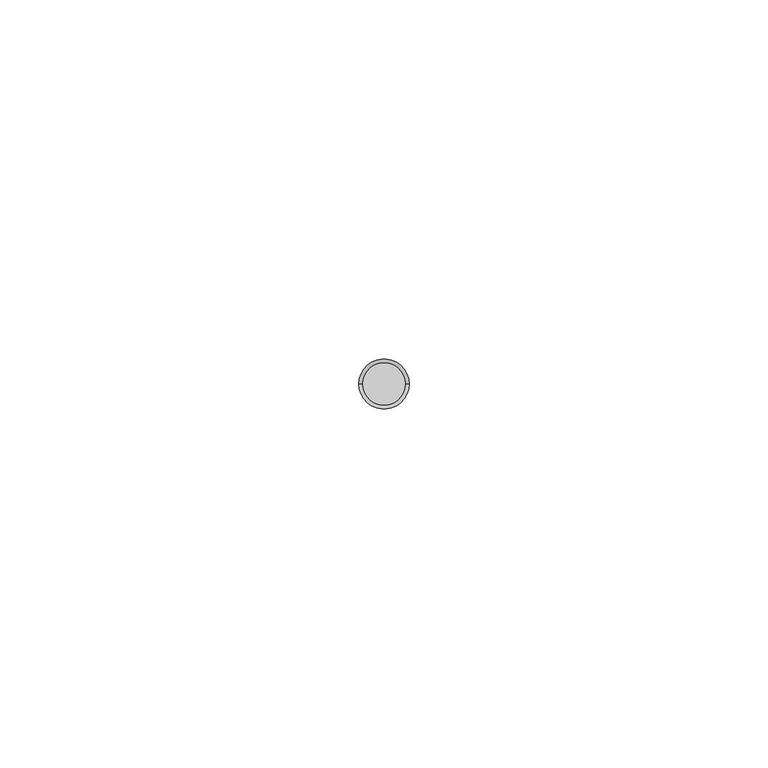
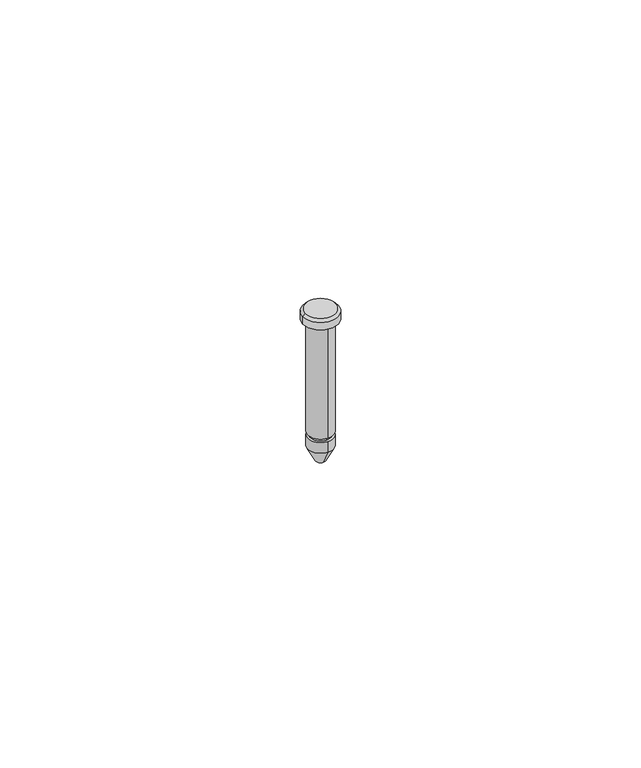
"""IFC4 building model written with IfcOpenShell, lengths in millimetres: proxy geometry."""

import ifcopenshell
import ifcopenshell.guid

model = None  # the IFC model being written
_history = None  # IfcOwnerHistory: only IFC2X3 demands one
_inside = {}  # id of a spatial element -> (the spatial element, [elements in it])
_under = {}  # id of a project, library or spatial element -> (it, [spatial elements below it])
_declared = {}  # id of a project -> (the project, [libraries it declares])
_typed = {}  # id of a type object -> (the type object, [elements of that type])
_made_of = {}  # id of a material, layer set ... -> (it, [elements and type objects made of it])


def new_model(schema):
    """Start an empty IFC model of exactly this schema.

    Asked for "IFC4X3", IfcOpenShell would pick the latest addendum, in which some entities
    have other attributes; the version numbers below select the first issue.
    IFC2X3 requires an IfcOwnerHistory on every rooted entity: one is made here for all.
    """
    global model, _history
    if schema == "IFC4X3":
        model = ifcopenshell.file(schema_version=(4, 3, 0, 0))
    else:
        model = ifcopenshell.file(schema=schema)
    _inside.clear()
    _under.clear()
    _declared.clear()
    _typed.clear()
    _made_of.clear()
    _history = None
    if model.schema == "IFC2X3":
        org = make("IfcOrganization", Name="unknown")
        user = make(
            "IfcPersonAndOrganization",
            ThePerson=make("IfcPerson", FamilyName="unknown"),
            TheOrganization=org,
        )
        app = make(
            "IfcApplication",
            ApplicationDeveloper=org,
            Version="unknown",
            ApplicationFullName="unknown",
            ApplicationIdentifier="unknown",
        )
        _history = make(
            "IfcOwnerHistory",
            OwningUser=user,
            OwningApplication=app,
            ChangeAction="ADDED",
            CreationDate=0,
        )
    return model


def make(cls, **values):
    """One entity of the class cls with the attributes given. An attribute that is None is left unset."""
    return model.create_entity(
        cls, **{name: value for name, value in values.items() if value is not None}
    )


def rooted(cls, **values):
    """An entity with a GlobalId (a new one), such as an element, a storey or a relation."""
    return make(cls, GlobalId=ifcopenshell.guid.new(), OwnerHistory=_history, **values)


def si_unit(unit_type, name, prefix=None):
    """IfcSIUnit, for example si_unit("LENGTHUNIT", "METRE", prefix="MILLI")."""
    return make("IfcSIUnit", UnitType=unit_type, Prefix=prefix, Name=name)


def assignment(units):
    """IfcUnitAssignment: the units of a project."""
    return None if units is None else make("IfcUnitAssignment", Units=units)


def point(xyz):
    """IfcCartesianPoint."""
    return None if xyz is None else make("IfcCartesianPoint", Coordinates=xyz)


def direction(xyz):
    """IfcDirection."""
    return None if xyz is None else make("IfcDirection", DirectionRatios=xyz)


def frame(location, z_axis=None, x_axis=None):
    """IfcAxis2Placement3D, a coordinate frame: its origin and axes. An axis left out is left unset."""
    return make(
        "IfcAxis2Placement3D",
        Location=point(location),
        Axis=direction(z_axis),
        RefDirection=direction(x_axis),
    )


def origin():
    """The frame at (0, 0, 0) with its axes left unset."""
    return frame((0.0, 0.0, 0.0))


def origin_with_axes():
    """The frame at (0, 0, 0) with the z axis (0, 0, 1) and the x axis (1, 0, 0) written out."""
    return frame((0.0, 0.0, 0.0), z_axis=(0.0, 0.0, 1.0), x_axis=(1.0, 0.0, 0.0))


def place(relative_to, where):
    """IfcLocalPlacement: puts the frame where relative to a parent placement (None: the world)."""
    return make(
        "IfcLocalPlacement", PlacementRelTo=relative_to, RelativePlacement=where
    )


def context(
    kind, dimensions, precision=None, world=None, true_north=None, identifier=None
):
    """IfcGeometricRepresentationContext, for example the 3D "Model" context."""
    return make(
        "IfcGeometricRepresentationContext",
        ContextIdentifier=identifier,
        ContextType=kind,
        CoordinateSpaceDimension=dimensions,
        Precision=precision,
        WorldCoordinateSystem=world,
        TrueNorth=true_north,
    )


def project(units=None, contexts=None):
    """IfcProject with its units and contexts."""
    return rooted(
        "IfcProject",
        Name="project",
        RepresentationContexts=contexts,
        UnitsInContext=assignment(units),
    )


def spatial(cls, under=None, at=None, **own):
    """A site, building, storey or space (cls), placed at a placement, below another one or the project."""
    s = rooted(cls, ObjectPlacement=at, **own)
    if under is not None:
        _under.setdefault(under.id(), (under, []))[1].append(s)
    return s


def polyline(points):
    """IfcPolyline through the points."""
    return make("IfcPolyline", Points=[point(p) for p in points])


def circle_curve(where, radius):
    """IfcCircle in the frame where."""
    return make("IfcCircle", Position=where, Radius=radius)


def ellipse_curve(where, semi_axis1, semi_axis2):
    """IfcEllipse in the frame where."""
    return make(
        "IfcEllipse", Position=where, SemiAxis1=semi_axis1, SemiAxis2=semi_axis2
    )


def trimmed(basis, trim1, trim2, sense, master):
    """IfcTrimmedCurve: the piece of a basis curve between two trims."""
    return make(
        "IfcTrimmedCurve",
        BasisCurve=basis,
        Trim1=trim1,
        Trim2=trim2,
        SenseAgreement=sense,
        MasterRepresentation=master,
    )


def shape(context_of_items, identifier, shape_type, items):
    """IfcShapeRepresentation: the items that make up one representation, for example the "Body"."""
    return make(
        "IfcShapeRepresentation",
        ContextOfItems=context_of_items,
        RepresentationIdentifier=identifier,
        RepresentationType=shape_type,
        Items=items,
    )


def source(mapping_origin, context_of_items, identifier, shape_type, items):
    """IfcRepresentationMap: a shape defined once, which mapped items show again and again."""
    return make(
        "IfcRepresentationMap",
        MappingOrigin=mapping_origin,
        MappedRepresentation=shape(context_of_items, identifier, shape_type, items),
    )


def transform(
    local_origin,
    x_axis=None,
    y_axis=None,
    z_axis=None,
    scale=None,
    scale2=None,
    scale3=None,
    uniform=True,
):
    """IfcCartesianTransformationOperator3D, or its non-uniform kind. x_axis, y_axis, z_axis: its Axis1, 2, 3."""
    if uniform:
        return make(
            "IfcCartesianTransformationOperator3D",
            Axis1=direction(x_axis),
            Axis2=direction(y_axis),
            LocalOrigin=point(local_origin),
            Scale=scale,
            Axis3=direction(z_axis),
        )
    return make(
        "IfcCartesianTransformationOperator3DnonUniform",
        Axis1=direction(x_axis),
        Axis2=direction(y_axis),
        LocalOrigin=point(local_origin),
        Scale=scale,
        Axis3=direction(z_axis),
        Scale2=scale2,
        Scale3=scale3,
    )


def mapped(mapping_source, mapping_target):
    """IfcMappedItem: shows the shape of a source again, moved by a transform."""
    return make(
        "IfcMappedItem", MappingSource=mapping_source, MappingTarget=mapping_target
    )


def made_of(thing, what):
    """Note that an element or type object is made of a material, layer set ...; save() writes the relation."""
    if what is not None:
        _made_of.setdefault(what.id(), (what, []))[1].append(thing)
    return thing


def element(
    cls,
    number,
    at=None,
    inside=None,
    cuts=None,
    type_object=None,
    material=None,
    context=None,
    identifier="Body",
    shape_type=None,
    held_by="IfcProductDefinitionShape",
    body=None,
    shapes=None,
    **own,
):
    """One element of the class cls, such as IfcWall. Its Tag is "e" and its number.

    at: its placement. inside: the storey or other place that contains it. cuts: it is an
    opening in that element (IfcRelVoidsElement). A single representation is given by context,
    identifier, shape_type and body (its items); several are given by shapes. held_by: the class
    of the entity that holds the representations. save() writes the other relations.
    """
    e = rooted(cls, Tag="e%d" % number, ObjectPlacement=at, **own)
    if body is not None:
        shapes = [shape(context, identifier, shape_type, body)]
    if shapes is not None:
        e.Representation = make(held_by, Representations=shapes)
    if inside is not None:
        _inside.setdefault(inside.id(), (inside, []))[1].append(e)
    if cuts is not None:
        rooted(
            "IfcRelVoidsElement", RelatingBuildingElement=cuts, RelatedOpeningElement=e
        )
    if type_object is not None:
        _typed.setdefault(type_object.id(), (type_object, []))[1].append(e)
    return made_of(e, material)


def aggregate(whole, parts):
    """IfcRelAggregates: a whole, such as a stair, and the parts it consists of."""
    return rooted("IfcRelAggregates", RelatingObject=whole, RelatedObjects=parts)


def save(model, path):
    """Write the relations noted so far, then the file.

    IfcRelAggregates (storeys below a building ...), IfcRelContainedInSpatialStructure (elements
    in a storey), IfcRelDefinesByType, IfcRelAssociatesMaterial and IfcRelDeclares: one each for
    every whole, place, type object, material and project.
    """
    for whole, parts in _under.values():
        aggregate(whole, parts)
    for where, things in _inside.values():
        rooted(
            "IfcRelContainedInSpatialStructure",
            RelatedElements=things,
            RelatingStructure=where,
        )
    for kind, things in _typed.values():
        rooted("IfcRelDefinesByType", RelatedObjects=things, RelatingType=kind)
    for what, things in _made_of.values():
        rooted("IfcRelAssociatesMaterial", RelatedObjects=things, RelatingMaterial=what)
    for by, libraries in _declared.values():
        rooted("IfcRelDeclares", RelatingContext=by, RelatedDefinitions=libraries)
    model.write(path)


def plane_surface(at):
    """IfcPlane: the flat surface through the origin of the frame at, square to its z axis."""
    return make("IfcPlane", Position=at)


def cylinder_surface(at, radius):
    """IfcCylindricalSurface: all points at the distance radius from the z axis of the frame at."""
    return make("IfcCylindricalSurface", Position=at, Radius=radius)


def revolved_surface(curve, axis_point, axis_direction):
    """IfcSurfaceOfRevolution: the curve turned about the line through axis_point along axis_direction."""
    return make(
        "IfcSurfaceOfRevolution",
        SweptCurve=make("IfcArbitraryOpenProfileDef", ProfileType="CURVE", Curve=curve),
        AxisPosition=make("IfcAxis1Placement", Location=point(axis_point), Axis=direction(axis_direction)),
    )


def advanced_brep(points, edges, surfaces, faces):
    """IfcAdvancedBrep: a solid bounded by faces that lie on surfaces and meet in shared edges.

    An edge is (start, end): straight between two places in points (the first is 0);
    or (start, end, curve); or (start, end, curve, False) where it runs against its curve.
    A face is (place in surfaces, loops), or (place, loops, False) where it looks against
    its surface's normal. A loop lists edges by number (the first is 1), with a minus sign
    where the edge is run from its end to its start. The first loop is the outer one.
    """
    corners = [point(p) for p in points]
    vertices = [make("IfcVertexPoint", VertexGeometry=c) for c in corners]
    made = []
    for start, end, *more in edges:
        made.append(
            make(
                "IfcEdgeCurve",
                EdgeStart=vertices[start],
                EdgeEnd=vertices[end],
                EdgeGeometry=more[0] if more else make("IfcPolyline", Points=[corners[start], corners[end]]),
                SameSense=more[1] if len(more) > 1 else True,
            )
        )
    hull = []
    for where, loops, *sense in faces:
        bounds = []
        for j, loop in enumerate(loops):
            ring = [make("IfcOrientedEdge", EdgeElement=made[abs(k) - 1], Orientation=k > 0) for k in loop]
            bounds.append(
                make(
                    "IfcFaceOuterBound" if j == 0 else "IfcFaceBound",
                    Bound=make("IfcEdgeLoop", EdgeList=ring),
                    Orientation=True,
                )
            )
        hull.append(make("IfcAdvancedFace", Bounds=bounds, FaceSurface=surfaces[where], SameSense=sense[0] if sense else True))
    return make("IfcAdvancedBrep", Outer=make("IfcClosedShell", CfsFaces=hull))


def generic_models_ab094121(model_context):
    return source(origin(), model_context, "Body", "AdvancedBrep", [
        advanced_brep(
        [(0.0, 2.5, -28.5), (0.0, 1.0, -31.5), (0.0, -1.0, -31.5), (0.0, -2.5, -28.5), (0.0, 2.5, -26.24), (0.0, -2.5, -26.24), (0.0, 2.0, -25.5), (0.0, 2.0, -26.24), (0.0, -2.0, -26.24), (0.0, -2.0, -25.5), (-3.5, 0.0, -0.5), (-3.5, 0.0, -2.0), (3.5, 0.0, -2.0), (3.5, 0.0, -0.5), (-3.0, 0.0, 0.0), (3.0, 0.0, 0.0), (0.0, 2.5, -2.4), (0.0, 2.5, -25.5), (0.0, -2.5, -25.5), (0.0, -2.5, -2.4), (-2.5, 0.0, -2.4), (2.9, 0.0, -2.0), (2.5, 0.0, -2.4), (-2.9, 0.0, -2.0), (0.0, 2.9, -2.0), (0.0, 3.5, -2.0)],
        [
            (0, 1),
            (1, 2, circle_curve(frame((0.0, 0.0, -31.5), z_axis=(0.0, 0.0, 1.0), x_axis=(0.0, 1.0, 0.0)), 1.0)),
            (2, 3),
            (3, 0, circle_curve(frame((0.0, 0.0, -28.5), z_axis=(0.0, 0.0, -1.0), x_axis=(0.0, 1.0, 0.0)), 2.5)),
            (4, 0),
            (3, 5),
            (5, 4, circle_curve(frame((0.0, 0.0, -26.24), z_axis=(0.0, 0.0, -1.0), x_axis=(0.0, 1.0, 0.0)), 2.5)),
            (6, 7),
            (7, 8, circle_curve(frame((0.0, 0.0, -26.24), z_axis=(0.0, 0.0, 1.0), x_axis=(0.0, 1.0, 0.0)), 2.0)),
            (8, 9),
            (9, 6, circle_curve(frame((0.0, 0.0, -25.5), z_axis=(0.0, 0.0, -1.0), x_axis=(0.0, 1.0, 0.0)), 2.0)),
            (10, 11),
            (11, 12, circle_curve(frame((0.0, 0.0, -2.0), z_axis=(0.0, 0.0, 1.0), x_axis=(-1.0, 0.0, 0.0)), 3.5)),
            (12, 13),
            (13, 10, circle_curve(frame((0.0, 0.0, -0.5), z_axis=(0.0, 0.0, -1.0), x_axis=(-1.0, 0.0, 0.0)), 3.5)),
            (14, 10),
            (13, 15),
            (15, 14, circle_curve(frame((0.0, 0.0, 0.0), z_axis=(0.0, 0.0, -1.0), x_axis=(1.0, 0.0, 0.0)), 3.0)),
            (16, 17),
            (17, 18, circle_curve(frame((0.0, 0.0, -25.5), z_axis=(0.0, 0.0, 1.0), x_axis=(0.0, 1.0, 0.0)), 2.5)),
            (18, 19),
            (19, 20, circle_curve(frame((0.0, 0.0, -2.4), z_axis=(0.0, 0.0, -1.0), x_axis=(0.0, 1.0, 0.0)), 2.5)),
            (20, 16, circle_curve(frame((0.0, 0.0, -2.4), z_axis=(0.0, 0.0, -1.0), x_axis=(0.0, 1.0, 0.0)), 2.5)),
            (21, 22, circle_curve(frame((2.9, 0.0, -2.4), z_axis=(0.0, -1.0, 0.0), x_axis=(1.0, 0.0, 0.0)), 0.4)),
            (22, 16, circle_curve(frame((0.0, 0.0, -2.4), z_axis=(0.0, 0.0, 1.0), x_axis=(1.0, 0.0, 0.0)), 2.5)),
            (20, 23, circle_curve(frame((-2.9, 0.0, -2.4), z_axis=(0.0, -1.0, 0.0), x_axis=(-1.0, 0.0, 0.0)), 0.4)),
            (23, 24, circle_curve(frame((0.0, 0.0, -2.0), z_axis=(0.0, 0.0, -1.0), x_axis=(1.0, 0.0, 0.0)), 2.9)),
            (24, 21, circle_curve(frame((0.0, 0.0, -2.0), z_axis=(0.0, 0.0, -1.0), x_axis=(1.0, 0.0, 0.0)), 2.9)),
            (21, 23, circle_curve(frame((0.0, 0.0, -2.0), z_axis=(0.0, 0.0, -1.0), x_axis=(-1.0, 0.0, 0.0)), 2.9)),
            (19, 22, circle_curve(frame((0.0, 0.0, -2.4), z_axis=(0.0, 0.0, 1.0), x_axis=(-1.0, 0.0, 0.0)), 2.5)),
            (18, 17, circle_curve(frame((0.0, 0.0, -25.5), z_axis=(0.0, 0.0, 1.0), x_axis=(0.0, 1.0, 0.0)), 2.5)),
            (11, 25, circle_curve(frame((0.0, 0.0, -2.0), z_axis=(0.0, 0.0, -1.0), x_axis=(-1.0, 0.0, 0.0)), 3.5)),
            (25, 12, circle_curve(frame((0.0, 0.0, -2.0), z_axis=(0.0, 0.0, -1.0), x_axis=(-1.0, 0.0, 0.0)), 3.5)),
            (14, 15, circle_curve(frame((0.0, 0.0, 0.0), z_axis=(0.0, 0.0, -1.0), x_axis=(-1.0, 0.0, 0.0)), 3.0)),
            (13, 10, circle_curve(frame((0.0, 0.0, -0.5), z_axis=(0.0, 0.0, 1.0), x_axis=(-1.0, 0.0, 0.0)), 3.5)),
            (9, 6, circle_curve(frame((0.0, 0.0, -25.5), z_axis=(0.0, 0.0, 1.0), x_axis=(0.0, 1.0, 0.0)), 2.0)),
            (8, 7, circle_curve(frame((0.0, 0.0, -26.24), z_axis=(0.0, 0.0, 1.0), x_axis=(0.0, 1.0, 0.0)), 2.0)),
            (5, 4, circle_curve(frame((0.0, 0.0, -26.24), z_axis=(0.0, 0.0, 1.0), x_axis=(0.0, 1.0, 0.0)), 2.5)),
            (3, 0, circle_curve(frame((0.0, 0.0, -28.5), z_axis=(0.0, 0.0, 1.0), x_axis=(0.0, 1.0, 0.0)), 2.5)),
            (2, 1, circle_curve(frame((0.0, 0.0, -31.5), z_axis=(0.0, 0.0, 1.0), x_axis=(0.0, -1.0, 0.0)), 1.0)),
        ],
        [
            revolved_surface(polyline([(0.0, 1.0, -31.5), (0.0, 2.5, -28.5)]), (0.0, 0.0, -33.5), (0.0, 0.0, 1.0)),
            cylinder_surface(frame((0.0, 0.0, -27.37), z_axis=(0.0, 0.0, 1.0), x_axis=(0.0, 1.0, 0.0)), 2.5),
            cylinder_surface(frame((0.0, 0.0, -25.87), z_axis=(0.0, 0.0, 1.0), x_axis=(0.0, 1.0, 0.0)), 2.0),
            cylinder_surface(frame((0.0, 0.0, 0.0), z_axis=(0.0, 0.0, -1.0), x_axis=(-1.0, 0.0, 0.0)), 3.5),
            revolved_surface(polyline([(-3.0, 0.0, 0.0), (-3.5, 0.0, -0.5)]), (0.0, 0.0, 3.0), (0.0, 0.0, -1.0)),
            cylinder_surface(frame((0.0, 0.0, -13.75), z_axis=(0.0, 0.0, 1.0), x_axis=(0.0, 1.0, 0.0)), 2.5),
            revolved_surface(trimmed(ellipse_curve(frame((2.9, 0.0, -2.4), z_axis=(0.0, 1.0, 0.0), x_axis=(1.0, 0.0, 0.0)), 0.4, 0.4), [point((2.5, 0.0, -2.4))], [point((2.9, 0.0, -2.0))], True, "CARTESIAN"), (0.0, 0.0, -2.4), (0.0, 0.0, 1.0)),
            revolved_surface(trimmed(ellipse_curve(frame((-2.9, 0.0, -2.4), z_axis=(0.0, -1.0, 0.0), x_axis=(-1.0, 0.0, 0.0)), 0.4, 0.4), [point((-2.5, 0.0, -2.4))], [point((-2.9, 0.0, -2.0))], True, "CARTESIAN"), (0.0, 0.0, -2.4), (0.0, 0.0, 1.0)),
            plane_surface(frame((0.0, 2.5, -2.0), z_axis=(0.0, 0.0, -1.0), x_axis=(1.0, 0.0, 0.0))),
            plane_surface(origin_with_axes()),
            plane_surface(frame((0.0, 2.0, -25.5), z_axis=(0.0, 0.0, -1.0), x_axis=(1.0, 0.0, 0.0))),
            plane_surface(frame((0.0, 2.5, -26.24), z_axis=(0.0, 0.0, 1.0), x_axis=(-1.0, 0.0, 0.0))),
            plane_surface(frame((0.0, 0.0, -31.5), z_axis=(0.0, 0.0, -1.0), x_axis=(1.0, 0.0, 0.0))),
        ],
        [
            (0, [[1, 2, 3, 4]]),
            (1, [[5, -4, 6, 7]]),
            (2, [[8, 9, 10, 11]]),
            (3, [[12, 13, 14, 15]]),
            (4, [[16, -15, 17, 18]]),
            (5, [[19, 20, 21, 22, 23]]),
            (6, [[24, 25, -23, 26, 27, 28]]),
            (7, [[-24, 29, -26, -22, 30]]),
            (5, [[-19, -25, -30, -21, 31]]),
            (8, [[32, 33, -13], [-28, -27, -29]]),
            (4, [[-16, 34, -17, 35]]),
            (3, [[-12, -35, -14, -33, -32]]),
            (9, [[-18, -34]]),
            (10, [[-20, -31], [-11, 36]]),
            (2, [[-8, -36, -10, 37]]),
            (11, [[-7, 38], [-9, -37]]),
            (1, [[-5, -38, -6, 39]]),
            (0, [[-1, -39, -3, 40]]),
            (12, [[-40, -2]]),
        ],
    ),
    ])


if __name__ == "__main__":
    model = new_model("IFC4")
    model_context = context("Model", 3, world=origin())
    ifc_project = project(units=[si_unit("LENGTHUNIT", "METRE", prefix="MILLI")], contexts=[model_context])
    site = spatial("IfcSite", under=ifc_project)
    building = spatial("IfcBuilding", under=site)
    placement = place(None, origin())
    generic_models_shape = generic_models_ab094121(model_context)
    element("IfcBuildingElementProxy", 1, Name="Generic Models", at=placement, inside=building, context=model_context, shape_type="MappedRepresentation", body=[
        mapped(generic_models_shape, transform((0.0, 0.0, 0.0), x_axis=(1.0, 0.0, 0.0), y_axis=(0.0, 1.0, 0.0), z_axis=(0.0, 0.0, 1.0))),
    ])
    save(model, "model.ifc")
